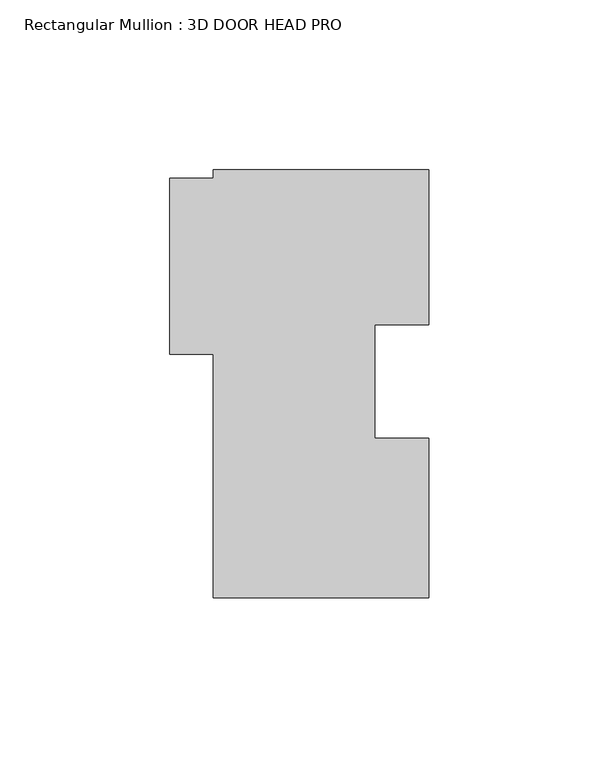
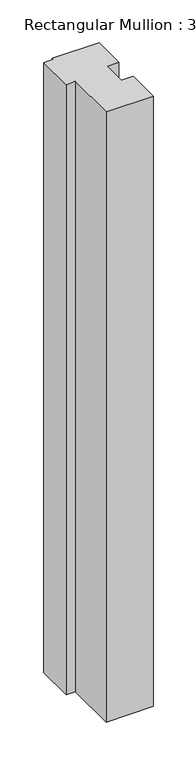
"""IFC4 building model written with IfcOpenShell, lengths in millimetres: member geometry, Rectangular Mullion : 3D DOOR HEAD PRO."""

import ifcopenshell
import ifcopenshell.guid

model = None  # the IFC model being written
_history = None  # IfcOwnerHistory: only IFC2X3 demands one
_inside = {}  # id of a spatial element -> (the spatial element, [elements in it])
_under = {}  # id of a project, library or spatial element -> (it, [spatial elements below it])
_declared = {}  # id of a project -> (the project, [libraries it declares])
_typed = {}  # id of a type object -> (the type object, [elements of that type])
_made_of = {}  # id of a material, layer set ... -> (it, [elements and type objects made of it])


def new_model(schema):
    """Start an empty IFC model of exactly this schema.

    Asked for "IFC4X3", IfcOpenShell would pick the latest addendum, in which some entities
    have other attributes; the version numbers below select the first issue.
    IFC2X3 requires an IfcOwnerHistory on every rooted entity: one is made here for all.
    """
    global model, _history
    if schema == "IFC4X3":
        model = ifcopenshell.file(schema_version=(4, 3, 0, 0))
    else:
        model = ifcopenshell.file(schema=schema)
    _inside.clear()
    _under.clear()
    _declared.clear()
    _typed.clear()
    _made_of.clear()
    _history = None
    if model.schema == "IFC2X3":
        org = make("IfcOrganization", Name="unknown")
        user = make(
            "IfcPersonAndOrganization",
            ThePerson=make("IfcPerson", FamilyName="unknown"),
            TheOrganization=org,
        )
        app = make(
            "IfcApplication",
            ApplicationDeveloper=org,
            Version="unknown",
            ApplicationFullName="unknown",
            ApplicationIdentifier="unknown",
        )
        _history = make(
            "IfcOwnerHistory",
            OwningUser=user,
            OwningApplication=app,
            ChangeAction="ADDED",
            CreationDate=0,
        )
    return model


def make(cls, **values):
    """One entity of the class cls with the attributes given. An attribute that is None is left unset."""
    return model.create_entity(
        cls, **{name: value for name, value in values.items() if value is not None}
    )


def rooted(cls, **values):
    """An entity with a GlobalId (a new one), such as an element, a storey or a relation."""
    return make(cls, GlobalId=ifcopenshell.guid.new(), OwnerHistory=_history, **values)


def si_unit(unit_type, name, prefix=None):
    """IfcSIUnit, for example si_unit("LENGTHUNIT", "METRE", prefix="MILLI")."""
    return make("IfcSIUnit", UnitType=unit_type, Prefix=prefix, Name=name)


def assignment(units):
    """IfcUnitAssignment: the units of a project."""
    return None if units is None else make("IfcUnitAssignment", Units=units)


def point(xyz):
    """IfcCartesianPoint."""
    return None if xyz is None else make("IfcCartesianPoint", Coordinates=xyz)


def direction(xyz):
    """IfcDirection."""
    return None if xyz is None else make("IfcDirection", DirectionRatios=xyz)


def frame(location, z_axis=None, x_axis=None):
    """IfcAxis2Placement3D, a coordinate frame: its origin and axes. An axis left out is left unset."""
    return make(
        "IfcAxis2Placement3D",
        Location=point(location),
        Axis=direction(z_axis),
        RefDirection=direction(x_axis),
    )


def origin():
    """The frame at (0, 0, 0) with its axes left unset."""
    return frame((0.0, 0.0, 0.0))


def place(relative_to, where):
    """IfcLocalPlacement: puts the frame where relative to a parent placement (None: the world)."""
    return make(
        "IfcLocalPlacement", PlacementRelTo=relative_to, RelativePlacement=where
    )


def context(
    kind, dimensions, precision=None, world=None, true_north=None, identifier=None
):
    """IfcGeometricRepresentationContext, for example the 3D "Model" context."""
    return make(
        "IfcGeometricRepresentationContext",
        ContextIdentifier=identifier,
        ContextType=kind,
        CoordinateSpaceDimension=dimensions,
        Precision=precision,
        WorldCoordinateSystem=world,
        TrueNorth=true_north,
    )


def project(units=None, contexts=None):
    """IfcProject with its units and contexts."""
    return rooted(
        "IfcProject",
        Name="project",
        RepresentationContexts=contexts,
        UnitsInContext=assignment(units),
    )


def spatial(cls, under=None, at=None, **own):
    """A site, building, storey or space (cls), placed at a placement, below another one or the project."""
    s = rooted(cls, ObjectPlacement=at, **own)
    if under is not None:
        _under.setdefault(under.id(), (under, []))[1].append(s)
    return s


def polyline(points):
    """IfcPolyline through the points."""
    return make("IfcPolyline", Points=[point(p) for p in points])


def outline(outer, holes=None, kind="AREA"):
    """IfcArbitraryClosedProfileDef: a profile drawn as a closed curve; with holes, ...WithVoids."""
    if holes is None:
        return make("IfcArbitraryClosedProfileDef", ProfileType=kind, OuterCurve=outer)
    return make(
        "IfcArbitraryProfileDefWithVoids",
        ProfileType=kind,
        OuterCurve=outer,
        InnerCurves=holes,
    )


def extrude(swept, where, along, depth):
    """IfcExtrudedAreaSolid: the profile swept, set in the frame where, extruded along a direction by depth."""
    return make(
        "IfcExtrudedAreaSolid",
        SweptArea=swept,
        Position=where,
        ExtrudedDirection=direction(along),
        Depth=depth,
    )


def shape(context_of_items, identifier, shape_type, items):
    """IfcShapeRepresentation: the items that make up one representation, for example the "Body"."""
    return make(
        "IfcShapeRepresentation",
        ContextOfItems=context_of_items,
        RepresentationIdentifier=identifier,
        RepresentationType=shape_type,
        Items=items,
    )


def source(mapping_origin, context_of_items, identifier, shape_type, items):
    """IfcRepresentationMap: a shape defined once, which mapped items show again and again."""
    return make(
        "IfcRepresentationMap",
        MappingOrigin=mapping_origin,
        MappedRepresentation=shape(context_of_items, identifier, shape_type, items),
    )


def transform(
    local_origin,
    x_axis=None,
    y_axis=None,
    z_axis=None,
    scale=None,
    scale2=None,
    scale3=None,
    uniform=True,
):
    """IfcCartesianTransformationOperator3D, or its non-uniform kind. x_axis, y_axis, z_axis: its Axis1, 2, 3."""
    if uniform:
        return make(
            "IfcCartesianTransformationOperator3D",
            Axis1=direction(x_axis),
            Axis2=direction(y_axis),
            LocalOrigin=point(local_origin),
            Scale=scale,
            Axis3=direction(z_axis),
        )
    return make(
        "IfcCartesianTransformationOperator3DnonUniform",
        Axis1=direction(x_axis),
        Axis2=direction(y_axis),
        LocalOrigin=point(local_origin),
        Scale=scale,
        Axis3=direction(z_axis),
        Scale2=scale2,
        Scale3=scale3,
    )


def mapped(mapping_source, mapping_target):
    """IfcMappedItem: shows the shape of a source again, moved by a transform."""
    return make(
        "IfcMappedItem", MappingSource=mapping_source, MappingTarget=mapping_target
    )


def made_of(thing, what):
    """Note that an element or type object is made of a material, layer set ...; save() writes the relation."""
    if what is not None:
        _made_of.setdefault(what.id(), (what, []))[1].append(thing)
    return thing


def element(
    cls,
    number,
    at=None,
    inside=None,
    cuts=None,
    type_object=None,
    material=None,
    context=None,
    identifier="Body",
    shape_type=None,
    held_by="IfcProductDefinitionShape",
    body=None,
    shapes=None,
    **own,
):
    """One element of the class cls, such as IfcWall. Its Tag is "e" and its number.

    at: its placement. inside: the storey or other place that contains it. cuts: it is an
    opening in that element (IfcRelVoidsElement). A single representation is given by context,
    identifier, shape_type and body (its items); several are given by shapes. held_by: the class
    of the entity that holds the representations. save() writes the other relations.
    """
    e = rooted(cls, Tag="e%d" % number, ObjectPlacement=at, **own)
    if body is not None:
        shapes = [shape(context, identifier, shape_type, body)]
    if shapes is not None:
        e.Representation = make(held_by, Representations=shapes)
    if inside is not None:
        _inside.setdefault(inside.id(), (inside, []))[1].append(e)
    if cuts is not None:
        rooted(
            "IfcRelVoidsElement", RelatingBuildingElement=cuts, RelatedOpeningElement=e
        )
    if type_object is not None:
        _typed.setdefault(type_object.id(), (type_object, []))[1].append(e)
    return made_of(e, material)


def aggregate(whole, parts):
    """IfcRelAggregates: a whole, such as a stair, and the parts it consists of."""
    return rooted("IfcRelAggregates", RelatingObject=whole, RelatedObjects=parts)


def save(model, path):
    """Write the relations noted so far, then the file.

    IfcRelAggregates (storeys below a building ...), IfcRelContainedInSpatialStructure (elements
    in a storey), IfcRelDefinesByType, IfcRelAssociatesMaterial and IfcRelDeclares: one each for
    every whole, place, type object, material and project.
    """
    for whole, parts in _under.values():
        aggregate(whole, parts)
    for where, things in _inside.values():
        rooted(
            "IfcRelContainedInSpatialStructure",
            RelatedElements=things,
            RelatingStructure=where,
        )
    for kind, things in _typed.values():
        rooted("IfcRelDefinesByType", RelatedObjects=things, RelatingType=kind)
    for what, things in _made_of.values():
        rooted("IfcRelAssociatesMaterial", RelatedObjects=things, RelatingMaterial=what)
    for by, libraries in _declared.values():
        rooted("IfcRelDeclares", RelatingContext=by, RelatedDefinitions=libraries)
    model.write(path)


def rectangular_mullion_3d_door_head_pro_a2811d80(model_context):
    return source(origin(), model_context, "Body", "SweptSolid", [
        extrude(outline(polyline([(31.75, -62.8904), (-31.75, -62.8904), (-31.75, 8.7122), (-44.45, 8.7122), (-44.45, 60.50915), (-31.75, 60.50915), (-31.75, 62.8904), (31.75, 62.8904), (31.75, 17.3457209), (15.8624762, 17.3457209), (15.8624762, -16.0745063), (31.75, -16.0745063), (31.75, -62.8904)])), frame((0.0, 0.0, -869.95), z_axis=(0.0, 0.0, 1.0), x_axis=(1.0, 0.0, 0.0)), (0.0, 0.0, 1.0), 869.95),
    ])


if __name__ == "__main__":
    model = new_model("IFC4")
    model_context = context("Model", 3, world=origin())
    ifc_project = project(units=[si_unit("LENGTHUNIT", "METRE", prefix="MILLI")], contexts=[model_context])
    site = spatial("IfcSite", under=ifc_project)
    building = spatial("IfcBuilding", under=site)
    placement = place(None, origin())
    rectangular_mullion_3d_door_head_pro_shape = rectangular_mullion_3d_door_head_pro_a2811d80(model_context)
    element("IfcMember", 1, ObjectType="Rectangular Mullion : 3D DOOR HEAD PRO", at=placement, inside=building, context=model_context, shape_type="MappedRepresentation", body=[
        mapped(rectangular_mullion_3d_door_head_pro_shape, transform((0.0, 0.0, 0.0), x_axis=(1.0, 0.0, 0.0), y_axis=(0.0, 1.0, 0.0), z_axis=(0.0, 0.0, 1.0))),
    ])
    save(model, "model.ifc")
